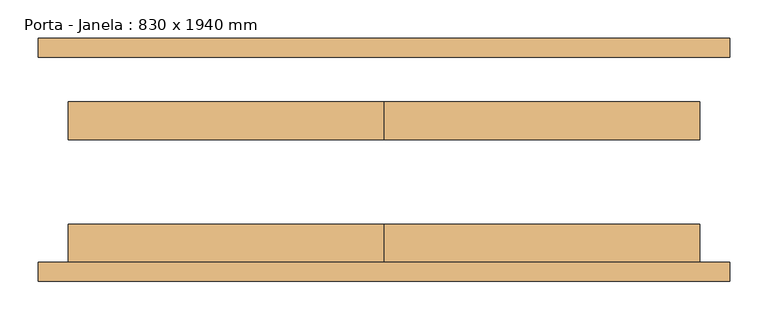
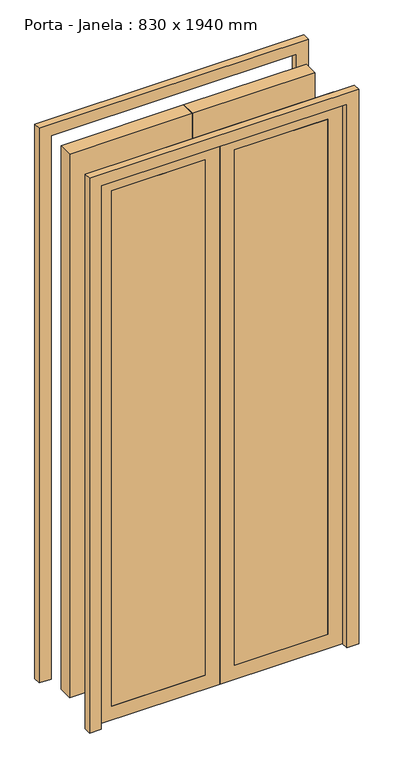
"""IFC4 building model written with IfcOpenShell, lengths in millimetres: door geometry, Porta - Janela : 830 x 1940 mm."""

from ifc_helpers import new_model, si_unit, frame, origin, origin_with_axes, place, context, project, spatial, polyline, outline, extrude, source, transform, mapped, element, save


def porta_janela_830_x_1940_mm_b8b89e50(model_context):
    return source(origin(), model_context, "Body", "SweptSolid", [
        extrude(outline(polyline([(1940.0, -415.0), (1940.0, 415.0), (0.0, 415.0), (0.0, 455.0), (1980.0, 455.0), (1980.0, -455.0), (0.0, -455.0), (0.0, -415.0), (1940.0, -415.0)])), frame((0.0, 135.0, 0.0), z_axis=(0.0, 1.0, 0.0), x_axis=(0.0, 0.0, 1.0)), (0.0, 0.0, 1.0), 25.0),
        extrude(outline(polyline([(1940.0, -415.0), (1940.0, 415.0), (0.0, 415.0), (0.0, 455.0), (1980.0, 455.0), (1980.0, -455.0), (0.0, -455.0), (0.0, -415.0), (1940.0, -415.0)])), frame((0.0, -160.0, 0.0), z_axis=(0.0, 1.0, 0.0), x_axis=(0.0, 0.0, 1.0)), (0.0, 0.0, 1.0), 25.0),
        extrude(outline(polyline([(50.0, -135.0), (50.0, -85.0), (365.0, -85.0), (365.0, -135.0), (50.0, -135.0)])), frame((0.0, 0.0, 50.0), z_axis=(0.0, 0.0, 1.0), x_axis=(1.0, 0.0, 0.0)), (0.0, 0.0, 1.0), 1840.0),
        extrude(outline(polyline([(-365.0, -135.0), (-365.0, -85.0), (-50.0, -85.0), (-50.0, -135.0), (-365.0, -135.0)])), frame((0.0, 0.0, 50.0), z_axis=(0.0, 0.0, 1.0), x_axis=(1.0, 0.0, 0.0)), (0.0, 0.0, 1.0), 1840.0),
        extrude(outline(polyline([(415.0, 76.2), (415.0, 26.2), (0.0, 26.2), (0.0, 76.2), (415.0, 76.2)])), origin_with_axes(), (0.0, 0.0, 1.0), 1940.0),
        extrude(outline(polyline([(0.0, 76.2), (0.0, 26.2), (-415.0, 26.2), (-415.0, 76.2), (0.0, 76.2)])), origin_with_axes(), (0.0, 0.0, 1.0), 1940.0),
        extrude(outline(polyline([(1940.0, 0.0), (0.0, 0.0), (0.0, 415.0), (1940.0, 415.0), (1940.0, 0.0)]), holes=[polyline([(1890.0, 50.0), (1890.0, 365.0), (50.0, 365.0), (50.0, 50.0), (1890.0, 50.0)])]), frame((0.0, -135.0, 0.0), z_axis=(0.0, 1.0, 0.0), x_axis=(0.0, 0.0, 1.0)), (0.0, 0.0, 1.0), 50.0),
        extrude(outline(polyline([(1940.0, -415.0), (0.0, -415.0), (0.0, 0.0), (1940.0, 0.0), (1940.0, -415.0)]), holes=[polyline([(1890.0, -365.0), (1890.0, -50.0), (50.0, -50.0), (50.0, -365.0), (1890.0, -365.0)])]), frame((0.0, -135.0, 0.0), z_axis=(0.0, 1.0, 0.0), x_axis=(0.0, 0.0, 1.0)), (0.0, 0.0, 1.0), 50.0),
    ])


if __name__ == "__main__":
    model = new_model("IFC4")
    model_context = context("Model", 3, world=origin())
    ifc_project = project(units=[si_unit("LENGTHUNIT", "METRE", prefix="MILLI")], contexts=[model_context])
    site = spatial("IfcSite", under=ifc_project)
    building = spatial("IfcBuilding", under=site)
    placement = place(None, origin())
    porta_janela_830_x_1940_mm_shape = porta_janela_830_x_1940_mm_b8b89e50(model_context)
    element("IfcDoor", 1, ObjectType="Porta - Janela : 830 x 1940 mm", at=placement, inside=building, context=model_context, shape_type="MappedRepresentation", body=[
        mapped(porta_janela_830_x_1940_mm_shape, transform((0.0, 0.0, 0.0), x_axis=(1.0, 0.0, 0.0), y_axis=(0.0, 1.0, 0.0), z_axis=(0.0, 0.0, 1.0))),
    ])
    save(model, "model.ifc")
